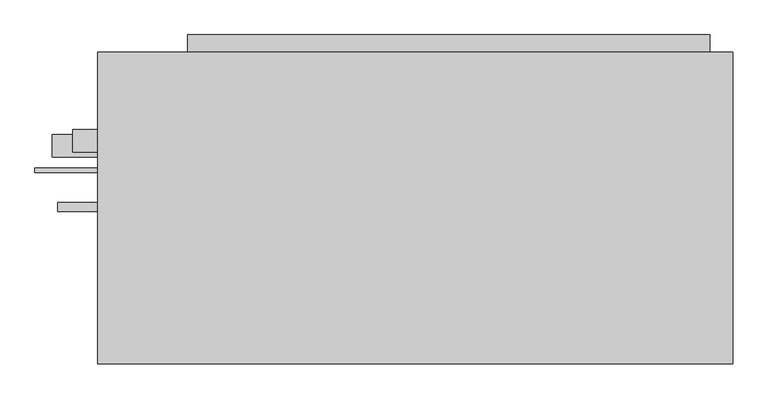
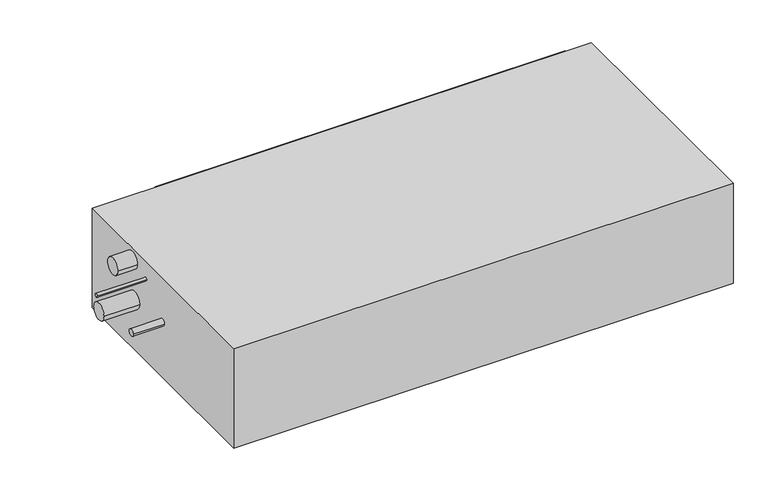
"""IFC4 building model written with IfcOpenShell, lengths in millimetres: proxy geometry."""

import ifcopenshell
import ifcopenshell.guid

model = None  # the IFC model being written
_history = None  # IfcOwnerHistory: only IFC2X3 demands one
_inside = {}  # id of a spatial element -> (the spatial element, [elements in it])
_under = {}  # id of a project, library or spatial element -> (it, [spatial elements below it])
_declared = {}  # id of a project -> (the project, [libraries it declares])
_typed = {}  # id of a type object -> (the type object, [elements of that type])
_made_of = {}  # id of a material, layer set ... -> (it, [elements and type objects made of it])


def new_model(schema):
    """Start an empty IFC model of exactly this schema.

    Asked for "IFC4X3", IfcOpenShell would pick the latest addendum, in which some entities
    have other attributes; the version numbers below select the first issue.
    IFC2X3 requires an IfcOwnerHistory on every rooted entity: one is made here for all.
    """
    global model, _history
    if schema == "IFC4X3":
        model = ifcopenshell.file(schema_version=(4, 3, 0, 0))
    else:
        model = ifcopenshell.file(schema=schema)
    _inside.clear()
    _under.clear()
    _declared.clear()
    _typed.clear()
    _made_of.clear()
    _history = None
    if model.schema == "IFC2X3":
        org = make("IfcOrganization", Name="unknown")
        user = make(
            "IfcPersonAndOrganization",
            ThePerson=make("IfcPerson", FamilyName="unknown"),
            TheOrganization=org,
        )
        app = make(
            "IfcApplication",
            ApplicationDeveloper=org,
            Version="unknown",
            ApplicationFullName="unknown",
            ApplicationIdentifier="unknown",
        )
        _history = make(
            "IfcOwnerHistory",
            OwningUser=user,
            OwningApplication=app,
            ChangeAction="ADDED",
            CreationDate=0,
        )
    return model


def make(cls, **values):
    """One entity of the class cls with the attributes given. An attribute that is None is left unset."""
    return model.create_entity(
        cls, **{name: value for name, value in values.items() if value is not None}
    )


def rooted(cls, **values):
    """An entity with a GlobalId (a new one), such as an element, a storey or a relation."""
    return make(cls, GlobalId=ifcopenshell.guid.new(), OwnerHistory=_history, **values)


def si_unit(unit_type, name, prefix=None):
    """IfcSIUnit, for example si_unit("LENGTHUNIT", "METRE", prefix="MILLI")."""
    return make("IfcSIUnit", UnitType=unit_type, Prefix=prefix, Name=name)


def assignment(units):
    """IfcUnitAssignment: the units of a project."""
    return None if units is None else make("IfcUnitAssignment", Units=units)


def point(xyz):
    """IfcCartesianPoint."""
    return None if xyz is None else make("IfcCartesianPoint", Coordinates=xyz)


def direction(xyz):
    """IfcDirection."""
    return None if xyz is None else make("IfcDirection", DirectionRatios=xyz)


def frame(location, z_axis=None, x_axis=None):
    """IfcAxis2Placement3D, a coordinate frame: its origin and axes. An axis left out is left unset."""
    return make(
        "IfcAxis2Placement3D",
        Location=point(location),
        Axis=direction(z_axis),
        RefDirection=direction(x_axis),
    )


def frame_2d(location, x_axis=None):
    """IfcAxis2Placement2D, a coordinate frame in the plane: its origin and x axis."""
    return make(
        "IfcAxis2Placement2D", Location=point(location), RefDirection=direction(x_axis)
    )


def origin():
    """The frame at (0, 0, 0) with its axes left unset."""
    return frame((0.0, 0.0, 0.0))


def origin_with_axes():
    """The frame at (0, 0, 0) with the z axis (0, 0, 1) and the x axis (1, 0, 0) written out."""
    return frame((0.0, 0.0, 0.0), z_axis=(0.0, 0.0, 1.0), x_axis=(1.0, 0.0, 0.0))


def place(relative_to, where):
    """IfcLocalPlacement: puts the frame where relative to a parent placement (None: the world)."""
    return make(
        "IfcLocalPlacement", PlacementRelTo=relative_to, RelativePlacement=where
    )


def context(
    kind, dimensions, precision=None, world=None, true_north=None, identifier=None
):
    """IfcGeometricRepresentationContext, for example the 3D "Model" context."""
    return make(
        "IfcGeometricRepresentationContext",
        ContextIdentifier=identifier,
        ContextType=kind,
        CoordinateSpaceDimension=dimensions,
        Precision=precision,
        WorldCoordinateSystem=world,
        TrueNorth=true_north,
    )


def project(units=None, contexts=None):
    """IfcProject with its units and contexts."""
    return rooted(
        "IfcProject",
        Name="project",
        RepresentationContexts=contexts,
        UnitsInContext=assignment(units),
    )


def spatial(cls, under=None, at=None, **own):
    """A site, building, storey or space (cls), placed at a placement, below another one or the project."""
    s = rooted(cls, ObjectPlacement=at, **own)
    if under is not None:
        _under.setdefault(under.id(), (under, []))[1].append(s)
    return s


def polyline(points):
    """IfcPolyline through the points."""
    return make("IfcPolyline", Points=[point(p) for p in points])


def circle_curve(where, radius):
    """IfcCircle in the frame where."""
    return make("IfcCircle", Position=where, Radius=radius)


def trimmed(basis, trim1, trim2, sense, master):
    """IfcTrimmedCurve: the piece of a basis curve between two trims."""
    return make(
        "IfcTrimmedCurve",
        BasisCurve=basis,
        Trim1=trim1,
        Trim2=trim2,
        SenseAgreement=sense,
        MasterRepresentation=master,
    )


def segment(curve, same_sense, transition):
    """IfcCompositeCurveSegment."""
    return make(
        "IfcCompositeCurveSegment",
        Transition=transition,
        SameSense=same_sense,
        ParentCurve=curve,
    )


def composite_curve(segments, self_intersect=None):
    """IfcCompositeCurve: segments joined end to end."""
    return make("IfcCompositeCurve", Segments=segments, SelfIntersect=self_intersect)


def outline(outer, holes=None, kind="AREA"):
    """IfcArbitraryClosedProfileDef: a profile drawn as a closed curve; with holes, ...WithVoids."""
    if holes is None:
        return make("IfcArbitraryClosedProfileDef", ProfileType=kind, OuterCurve=outer)
    return make(
        "IfcArbitraryProfileDefWithVoids",
        ProfileType=kind,
        OuterCurve=outer,
        InnerCurves=holes,
    )


def extrude(swept, where, along, depth):
    """IfcExtrudedAreaSolid: the profile swept, set in the frame where, extruded along a direction by depth."""
    return make(
        "IfcExtrudedAreaSolid",
        SweptArea=swept,
        Position=where,
        ExtrudedDirection=direction(along),
        Depth=depth,
    )


def shape(context_of_items, identifier, shape_type, items):
    """IfcShapeRepresentation: the items that make up one representation, for example the "Body"."""
    return make(
        "IfcShapeRepresentation",
        ContextOfItems=context_of_items,
        RepresentationIdentifier=identifier,
        RepresentationType=shape_type,
        Items=items,
    )


def source(mapping_origin, context_of_items, identifier, shape_type, items):
    """IfcRepresentationMap: a shape defined once, which mapped items show again and again."""
    return make(
        "IfcRepresentationMap",
        MappingOrigin=mapping_origin,
        MappedRepresentation=shape(context_of_items, identifier, shape_type, items),
    )


def transform(
    local_origin,
    x_axis=None,
    y_axis=None,
    z_axis=None,
    scale=None,
    scale2=None,
    scale3=None,
    uniform=True,
):
    """IfcCartesianTransformationOperator3D, or its non-uniform kind. x_axis, y_axis, z_axis: its Axis1, 2, 3."""
    if uniform:
        return make(
            "IfcCartesianTransformationOperator3D",
            Axis1=direction(x_axis),
            Axis2=direction(y_axis),
            LocalOrigin=point(local_origin),
            Scale=scale,
            Axis3=direction(z_axis),
        )
    return make(
        "IfcCartesianTransformationOperator3DnonUniform",
        Axis1=direction(x_axis),
        Axis2=direction(y_axis),
        LocalOrigin=point(local_origin),
        Scale=scale,
        Axis3=direction(z_axis),
        Scale2=scale2,
        Scale3=scale3,
    )


def mapped(mapping_source, mapping_target):
    """IfcMappedItem: shows the shape of a source again, moved by a transform."""
    return make(
        "IfcMappedItem", MappingSource=mapping_source, MappingTarget=mapping_target
    )


def made_of(thing, what):
    """Note that an element or type object is made of a material, layer set ...; save() writes the relation."""
    if what is not None:
        _made_of.setdefault(what.id(), (what, []))[1].append(thing)
    return thing


def element(
    cls,
    number,
    at=None,
    inside=None,
    cuts=None,
    type_object=None,
    material=None,
    context=None,
    identifier="Body",
    shape_type=None,
    held_by="IfcProductDefinitionShape",
    body=None,
    shapes=None,
    **own,
):
    """One element of the class cls, such as IfcWall. Its Tag is "e" and its number.

    at: its placement. inside: the storey or other place that contains it. cuts: it is an
    opening in that element (IfcRelVoidsElement). A single representation is given by context,
    identifier, shape_type and body (its items); several are given by shapes. held_by: the class
    of the entity that holds the representations. save() writes the other relations.
    """
    e = rooted(cls, Tag="e%d" % number, ObjectPlacement=at, **own)
    if body is not None:
        shapes = [shape(context, identifier, shape_type, body)]
    if shapes is not None:
        e.Representation = make(held_by, Representations=shapes)
    if inside is not None:
        _inside.setdefault(inside.id(), (inside, []))[1].append(e)
    if cuts is not None:
        rooted(
            "IfcRelVoidsElement", RelatingBuildingElement=cuts, RelatedOpeningElement=e
        )
    if type_object is not None:
        _typed.setdefault(type_object.id(), (type_object, []))[1].append(e)
    return made_of(e, material)


def aggregate(whole, parts):
    """IfcRelAggregates: a whole, such as a stair, and the parts it consists of."""
    return rooted("IfcRelAggregates", RelatingObject=whole, RelatedObjects=parts)


def save(model, path):
    """Write the relations noted so far, then the file.

    IfcRelAggregates (storeys below a building ...), IfcRelContainedInSpatialStructure (elements
    in a storey), IfcRelDefinesByType, IfcRelAssociatesMaterial and IfcRelDeclares: one each for
    every whole, place, type object, material and project.
    """
    for whole, parts in _under.values():
        aggregate(whole, parts)
    for where, things in _inside.values():
        rooted(
            "IfcRelContainedInSpatialStructure",
            RelatedElements=things,
            RelatingStructure=where,
        )
    for kind, things in _typed.values():
        rooted("IfcRelDefinesByType", RelatedObjects=things, RelatingType=kind)
    for what, things in _made_of.values():
        rooted("IfcRelAssociatesMaterial", RelatedObjects=things, RelatingMaterial=what)
    for by, libraries in _declared.values():
        rooted("IfcRelDeclares", RelatingContext=by, RelatedDefinitions=libraries)
    model.write(path)


def mechanical_equipment_892aebfc(model_context):
    return source(origin(), model_context, "Body", "SweptSolid", [
        extrude(outline(polyline([(422.0, 248.5), (422.0, 223.5), (-326.0, 223.5), (-326.0, 248.5), (422.0, 248.5)])), frame((0.0, 0.0, 44.5), z_axis=(0.0, 0.0, 1.0), x_axis=(1.0, 0.0, 0.0)), (0.0, 0.0, 1.0), 128.5),
        extrude(outline(composite_curve([segment(trimmed(circle_curve(frame_2d((96.5, 170.0)), 16.0), [point((80.5, 170.0))], [point((112.5, 170.0))], False, "CARTESIAN"), True, "CONTINUOUS"), segment(trimmed(circle_curve(frame_2d((96.5, 170.0)), 16.0), [point((112.5, 170.0))], [point((80.5, 170.0))], False, "CARTESIAN"), True, "CONTINUOUS")], self_intersect=False)), frame((-491.0, 0.0, 0.0), z_axis=(1.0, 0.0, 0.0), x_axis=(0.0, 1.0, 0.0)), (0.0, 0.0, 1.0), 36.0),
        extrude(outline(composite_curve([segment(trimmed(circle_curve(frame_2d((89.5, 97.0)), 16.0), [point((73.5, 97.0))], [point((105.5, 97.0))], False, "CARTESIAN"), True, "CONTINUOUS"), segment(trimmed(circle_curve(frame_2d((89.5, 97.0)), 16.0), [point((105.5, 97.0))], [point((73.5, 97.0))], False, "CARTESIAN"), True, "CONTINUOUS")], self_intersect=False)), frame((-520.0, 0.0, 0.0), z_axis=(1.0, 0.0, 0.0), x_axis=(0.0, 1.0, 0.0)), (0.0, 0.0, 1.0), 65.0),
        extrude(outline(composite_curve([segment(trimmed(circle_curve(frame_2d((54.5, 158.0)), 3.175), [point((51.325, 158.0))], [point((57.675, 158.0))], False, "CARTESIAN"), True, "CONTINUOUS"), segment(trimmed(circle_curve(frame_2d((54.5, 158.0)), 3.175), [point((57.675, 158.0))], [point((51.325, 158.0))], False, "CARTESIAN"), True, "CONTINUOUS")], self_intersect=False)), frame((-545.0, 0.0, 0.0), z_axis=(1.0, 0.0, 0.0), x_axis=(0.0, 1.0, 0.0)), (0.0, 0.0, 1.0), 90.0),
        extrude(outline(composite_curve([segment(trimmed(circle_curve(frame_2d((1.5, 107.0)), 6.35), [point((-4.85, 107.0))], [point((7.85, 107.0))], False, "CARTESIAN"), True, "CONTINUOUS"), segment(trimmed(circle_curve(frame_2d((1.5, 107.0)), 6.35), [point((7.85, 107.0))], [point((-4.85, 107.0))], False, "CARTESIAN"), True, "CONTINUOUS")], self_intersect=False)), frame((-512.0, 0.0, 0.0), z_axis=(1.0, 0.0, 0.0), x_axis=(0.0, 1.0, 0.0)), (0.0, 0.0, 1.0), 57.0),
        extrude(outline(polyline([(455.0, -223.5), (-455.0, -223.5), (-455.0, 223.5), (455.0, 223.5), (455.0, -223.5)])), origin_with_axes(), (0.0, 0.0, 1.0), 192.0),
    ])


if __name__ == "__main__":
    model = new_model("IFC4")
    model_context = context("Model", 3, world=origin())
    ifc_project = project(units=[si_unit("LENGTHUNIT", "METRE", prefix="MILLI")], contexts=[model_context])
    site = spatial("IfcSite", under=ifc_project)
    building = spatial("IfcBuilding", under=site)
    placement = place(None, origin())
    mechanical_equipment_shape = mechanical_equipment_892aebfc(model_context)
    element("IfcBuildingElementProxy", 1, Name="Mechanical Equipment", at=placement, inside=building, context=model_context, shape_type="MappedRepresentation", body=[
        mapped(mechanical_equipment_shape, transform((0.0, 0.0, 0.0), x_axis=(1.0, 0.0, 0.0), y_axis=(0.0, 1.0, 0.0), z_axis=(0.0, 0.0, 1.0))),
    ])
    save(model, "model.ifc")
